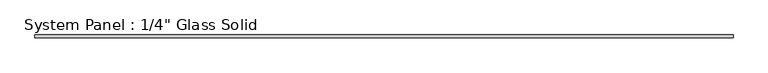
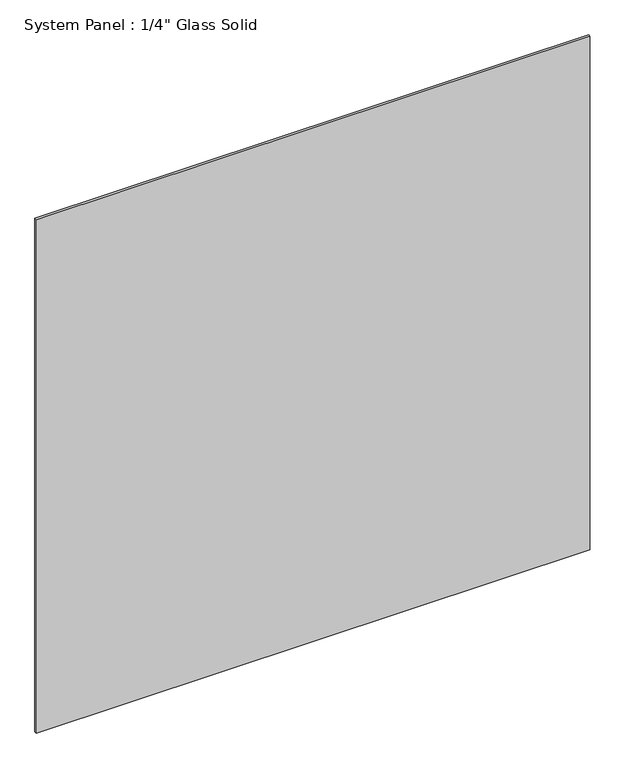
"""IFC4 building model written with IfcOpenShell, lengths in millimetres: plate geometry."""

from ifc_helpers import new_model, si_unit, origin, origin_with_axes, place, context, project, spatial, polyline, outline, extrude, source, transform, mapped, element, save


def plate_fb4d6646(model_context):
    return source(origin(), model_context, "Body", "SweptSolid", [
        extrude(outline(polyline([(737.6592185, -3.175), (-737.6592185, -3.175), (-737.6592185, 3.175), (737.6592185, 3.175), (737.6592185, -3.175)])), origin_with_axes(), (0.0, 0.0, 1.0), 1446.5317704),
    ])


if __name__ == "__main__":
    model = new_model("IFC4")
    model_context = context("Model", 3, world=origin())
    ifc_project = project(units=[si_unit("LENGTHUNIT", "METRE", prefix="MILLI")], contexts=[model_context])
    site = spatial("IfcSite", under=ifc_project)
    building = spatial("IfcBuilding", under=site)
    placement = place(None, origin())
    plate_shape = plate_fb4d6646(model_context)
    element("IfcPlate", 1, ObjectType="System Panel : 1/4\" Glass Solid", at=placement, inside=building, context=model_context, shape_type="MappedRepresentation", body=[
        mapped(plate_shape, transform((0.0, 0.0, 0.0), x_axis=(1.0, 0.0, 0.0), y_axis=(0.0, 1.0, 0.0), z_axis=(0.0, 0.0, 1.0))),
    ])
    save(model, "model.ifc")
